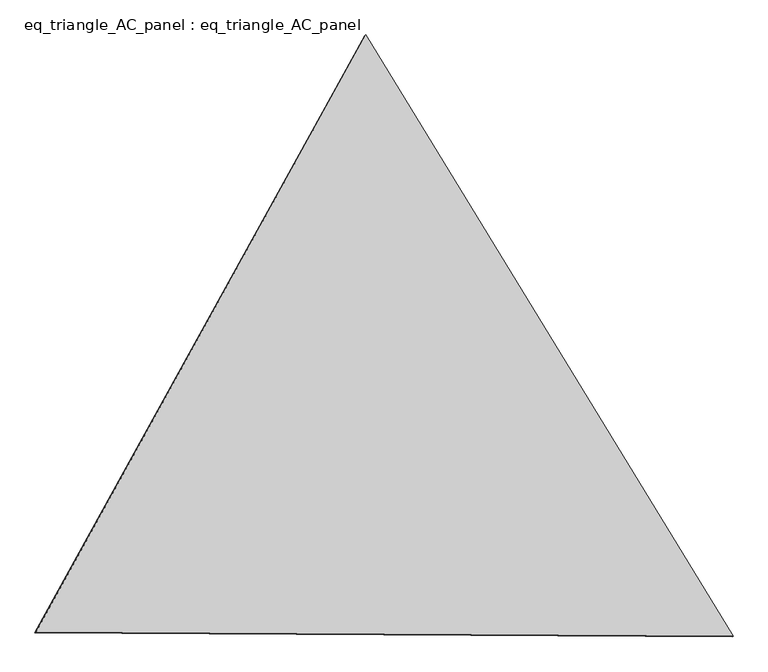
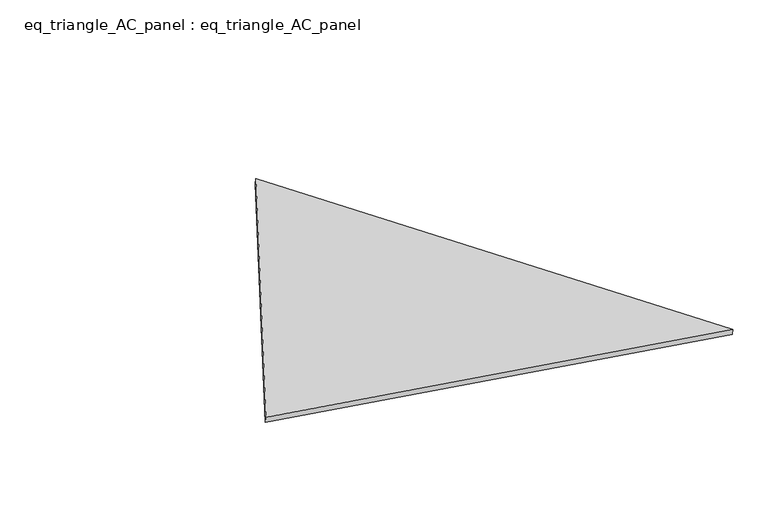
"""IFC4 building model written with IfcOpenShell, lengths in millimetres: proxy geometry, eq_triangle_AC_panel : eq_triangle_AC_panel."""

import ifcopenshell
import ifcopenshell.guid

model = None  # the IFC model being written
_history = None  # IfcOwnerHistory: only IFC2X3 demands one
_inside = {}  # id of a spatial element -> (the spatial element, [elements in it])
_under = {}  # id of a project, library or spatial element -> (it, [spatial elements below it])
_declared = {}  # id of a project -> (the project, [libraries it declares])
_typed = {}  # id of a type object -> (the type object, [elements of that type])
_made_of = {}  # id of a material, layer set ... -> (it, [elements and type objects made of it])


def new_model(schema):
    """Start an empty IFC model of exactly this schema.

    Asked for "IFC4X3", IfcOpenShell would pick the latest addendum, in which some entities
    have other attributes; the version numbers below select the first issue.
    IFC2X3 requires an IfcOwnerHistory on every rooted entity: one is made here for all.
    """
    global model, _history
    if schema == "IFC4X3":
        model = ifcopenshell.file(schema_version=(4, 3, 0, 0))
    else:
        model = ifcopenshell.file(schema=schema)
    _inside.clear()
    _under.clear()
    _declared.clear()
    _typed.clear()
    _made_of.clear()
    _history = None
    if model.schema == "IFC2X3":
        org = make("IfcOrganization", Name="unknown")
        user = make(
            "IfcPersonAndOrganization",
            ThePerson=make("IfcPerson", FamilyName="unknown"),
            TheOrganization=org,
        )
        app = make(
            "IfcApplication",
            ApplicationDeveloper=org,
            Version="unknown",
            ApplicationFullName="unknown",
            ApplicationIdentifier="unknown",
        )
        _history = make(
            "IfcOwnerHistory",
            OwningUser=user,
            OwningApplication=app,
            ChangeAction="ADDED",
            CreationDate=0,
        )
    return model


def make(cls, **values):
    """One entity of the class cls with the attributes given. An attribute that is None is left unset."""
    return model.create_entity(
        cls, **{name: value for name, value in values.items() if value is not None}
    )


def rooted(cls, **values):
    """An entity with a GlobalId (a new one), such as an element, a storey or a relation."""
    return make(cls, GlobalId=ifcopenshell.guid.new(), OwnerHistory=_history, **values)


def si_unit(unit_type, name, prefix=None):
    """IfcSIUnit, for example si_unit("LENGTHUNIT", "METRE", prefix="MILLI")."""
    return make("IfcSIUnit", UnitType=unit_type, Prefix=prefix, Name=name)


def assignment(units):
    """IfcUnitAssignment: the units of a project."""
    return None if units is None else make("IfcUnitAssignment", Units=units)


def point(xyz):
    """IfcCartesianPoint."""
    return None if xyz is None else make("IfcCartesianPoint", Coordinates=xyz)


def direction(xyz):
    """IfcDirection."""
    return None if xyz is None else make("IfcDirection", DirectionRatios=xyz)


def frame(location, z_axis=None, x_axis=None):
    """IfcAxis2Placement3D, a coordinate frame: its origin and axes. An axis left out is left unset."""
    return make(
        "IfcAxis2Placement3D",
        Location=point(location),
        Axis=direction(z_axis),
        RefDirection=direction(x_axis),
    )


def origin():
    """The frame at (0, 0, 0) with its axes left unset."""
    return frame((0.0, 0.0, 0.0))


def place(relative_to, where):
    """IfcLocalPlacement: puts the frame where relative to a parent placement (None: the world)."""
    return make(
        "IfcLocalPlacement", PlacementRelTo=relative_to, RelativePlacement=where
    )


def context(
    kind, dimensions, precision=None, world=None, true_north=None, identifier=None
):
    """IfcGeometricRepresentationContext, for example the 3D "Model" context."""
    return make(
        "IfcGeometricRepresentationContext",
        ContextIdentifier=identifier,
        ContextType=kind,
        CoordinateSpaceDimension=dimensions,
        Precision=precision,
        WorldCoordinateSystem=world,
        TrueNorth=true_north,
    )


def project(units=None, contexts=None):
    """IfcProject with its units and contexts."""
    return rooted(
        "IfcProject",
        Name="project",
        RepresentationContexts=contexts,
        UnitsInContext=assignment(units),
    )


def spatial(cls, under=None, at=None, **own):
    """A site, building, storey or space (cls), placed at a placement, below another one or the project."""
    s = rooted(cls, ObjectPlacement=at, **own)
    if under is not None:
        _under.setdefault(under.id(), (under, []))[1].append(s)
    return s


def polyline(points):
    """IfcPolyline through the points."""
    return make("IfcPolyline", Points=[point(p) for p in points])


def outline(outer, holes=None, kind="AREA"):
    """IfcArbitraryClosedProfileDef: a profile drawn as a closed curve; with holes, ...WithVoids."""
    if holes is None:
        return make("IfcArbitraryClosedProfileDef", ProfileType=kind, OuterCurve=outer)
    return make(
        "IfcArbitraryProfileDefWithVoids",
        ProfileType=kind,
        OuterCurve=outer,
        InnerCurves=holes,
    )


def extrude(swept, where, along, depth):
    """IfcExtrudedAreaSolid: the profile swept, set in the frame where, extruded along a direction by depth."""
    return make(
        "IfcExtrudedAreaSolid",
        SweptArea=swept,
        Position=where,
        ExtrudedDirection=direction(along),
        Depth=depth,
    )


def shape(context_of_items, identifier, shape_type, items):
    """IfcShapeRepresentation: the items that make up one representation, for example the "Body"."""
    return make(
        "IfcShapeRepresentation",
        ContextOfItems=context_of_items,
        RepresentationIdentifier=identifier,
        RepresentationType=shape_type,
        Items=items,
    )


def source(mapping_origin, context_of_items, identifier, shape_type, items):
    """IfcRepresentationMap: a shape defined once, which mapped items show again and again."""
    return make(
        "IfcRepresentationMap",
        MappingOrigin=mapping_origin,
        MappedRepresentation=shape(context_of_items, identifier, shape_type, items),
    )


def transform(
    local_origin,
    x_axis=None,
    y_axis=None,
    z_axis=None,
    scale=None,
    scale2=None,
    scale3=None,
    uniform=True,
):
    """IfcCartesianTransformationOperator3D, or its non-uniform kind. x_axis, y_axis, z_axis: its Axis1, 2, 3."""
    if uniform:
        return make(
            "IfcCartesianTransformationOperator3D",
            Axis1=direction(x_axis),
            Axis2=direction(y_axis),
            LocalOrigin=point(local_origin),
            Scale=scale,
            Axis3=direction(z_axis),
        )
    return make(
        "IfcCartesianTransformationOperator3DnonUniform",
        Axis1=direction(x_axis),
        Axis2=direction(y_axis),
        LocalOrigin=point(local_origin),
        Scale=scale,
        Axis3=direction(z_axis),
        Scale2=scale2,
        Scale3=scale3,
    )


def mapped(mapping_source, mapping_target):
    """IfcMappedItem: shows the shape of a source again, moved by a transform."""
    return make(
        "IfcMappedItem", MappingSource=mapping_source, MappingTarget=mapping_target
    )


def made_of(thing, what):
    """Note that an element or type object is made of a material, layer set ...; save() writes the relation."""
    if what is not None:
        _made_of.setdefault(what.id(), (what, []))[1].append(thing)
    return thing


def element(
    cls,
    number,
    at=None,
    inside=None,
    cuts=None,
    type_object=None,
    material=None,
    context=None,
    identifier="Body",
    shape_type=None,
    held_by="IfcProductDefinitionShape",
    body=None,
    shapes=None,
    **own,
):
    """One element of the class cls, such as IfcWall. Its Tag is "e" and its number.

    at: its placement. inside: the storey or other place that contains it. cuts: it is an
    opening in that element (IfcRelVoidsElement). A single representation is given by context,
    identifier, shape_type and body (its items); several are given by shapes. held_by: the class
    of the entity that holds the representations. save() writes the other relations.
    """
    e = rooted(cls, Tag="e%d" % number, ObjectPlacement=at, **own)
    if body is not None:
        shapes = [shape(context, identifier, shape_type, body)]
    if shapes is not None:
        e.Representation = make(held_by, Representations=shapes)
    if inside is not None:
        _inside.setdefault(inside.id(), (inside, []))[1].append(e)
    if cuts is not None:
        rooted(
            "IfcRelVoidsElement", RelatingBuildingElement=cuts, RelatedOpeningElement=e
        )
    if type_object is not None:
        _typed.setdefault(type_object.id(), (type_object, []))[1].append(e)
    return made_of(e, material)


def aggregate(whole, parts):
    """IfcRelAggregates: a whole, such as a stair, and the parts it consists of."""
    return rooted("IfcRelAggregates", RelatingObject=whole, RelatedObjects=parts)


def save(model, path):
    """Write the relations noted so far, then the file.

    IfcRelAggregates (storeys below a building ...), IfcRelContainedInSpatialStructure (elements
    in a storey), IfcRelDefinesByType, IfcRelAssociatesMaterial and IfcRelDeclares: one each for
    every whole, place, type object, material and project.
    """
    for whole, parts in _under.values():
        aggregate(whole, parts)
    for where, things in _inside.values():
        rooted(
            "IfcRelContainedInSpatialStructure",
            RelatedElements=things,
            RelatingStructure=where,
        )
    for kind, things in _typed.values():
        rooted("IfcRelDefinesByType", RelatedObjects=things, RelatingType=kind)
    for what, things in _made_of.values():
        rooted("IfcRelAssociatesMaterial", RelatedObjects=things, RelatingMaterial=what)
    for by, libraries in _declared.values():
        rooted("IfcRelDeclares", RelatingContext=by, RelatedDefinitions=libraries)
    model.write(path)


def eq_triangle_ac_panel_eq_triangle_ac_panel_9ff6f7ef(model_context):
    return source(origin(), model_context, "Body", "SweptSolid", [
        extrude(outline(polyline([(-2032.8306629, 1173.1700195), (2091.2842302, 1173.1700195), (-58.4535674, -2346.3400392), (-2032.8306629, 1173.1700195)])), frame((-6.3631761, 524.2531996, 46.6143561), z_axis=(0.14526328518058204, 0.08386570281802158, 0.9858321976225894), x_axis=(0.5211103640698206, -0.8534790669542784, -0.004179800219325885)), (0.0, 0.0, 1.0), 43.8306294),
    ])


if __name__ == "__main__":
    model = new_model("IFC4")
    model_context = context("Model", 3, world=origin())
    ifc_project = project(units=[si_unit("LENGTHUNIT", "METRE", prefix="MILLI")], contexts=[model_context])
    site = spatial("IfcSite", under=ifc_project)
    building = spatial("IfcBuilding", under=site)
    placement = place(None, origin())
    eq_triangle_ac_panel_eq_triangle_ac_panel_shape = eq_triangle_ac_panel_eq_triangle_ac_panel_9ff6f7ef(model_context)
    element("IfcBuildingElementProxy", 1, Name="eq_triangle_AC_panel : eq_triangle_AC_panel", ObjectType="eq_triangle_AC_panel : eq_triangle_AC_panel", at=placement, inside=building, context=model_context, shape_type="MappedRepresentation", body=[
        mapped(eq_triangle_ac_panel_eq_triangle_ac_panel_shape, transform((0.0, 0.0, 0.0), x_axis=(1.0, 0.0, 0.0), y_axis=(0.0, 1.0, 0.0), z_axis=(0.0, 0.0, 1.0))),
    ])
    save(model, "model.ifc")
